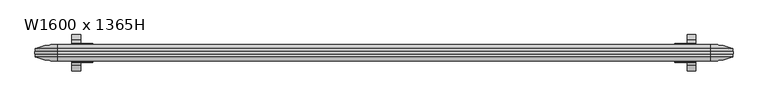
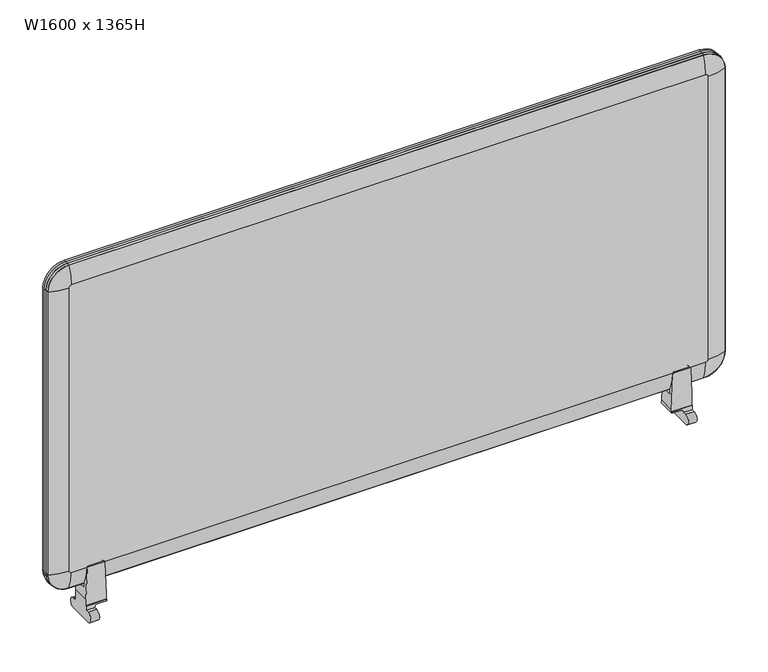
"""IFC4 building model written with IfcOpenShell, lengths in millimetres: furniture geometry, W1600 x 1365H."""

import ifcopenshell
import ifcopenshell.guid

model = None  # the IFC model being written
_history = None  # IfcOwnerHistory: only IFC2X3 demands one
_inside = {}  # id of a spatial element -> (the spatial element, [elements in it])
_under = {}  # id of a project, library or spatial element -> (it, [spatial elements below it])
_declared = {}  # id of a project -> (the project, [libraries it declares])
_typed = {}  # id of a type object -> (the type object, [elements of that type])
_made_of = {}  # id of a material, layer set ... -> (it, [elements and type objects made of it])


def new_model(schema):
    """Start an empty IFC model of exactly this schema.

    Asked for "IFC4X3", IfcOpenShell would pick the latest addendum, in which some entities
    have other attributes; the version numbers below select the first issue.
    IFC2X3 requires an IfcOwnerHistory on every rooted entity: one is made here for all.
    """
    global model, _history
    if schema == "IFC4X3":
        model = ifcopenshell.file(schema_version=(4, 3, 0, 0))
    else:
        model = ifcopenshell.file(schema=schema)
    _inside.clear()
    _under.clear()
    _declared.clear()
    _typed.clear()
    _made_of.clear()
    _history = None
    if model.schema == "IFC2X3":
        org = make("IfcOrganization", Name="unknown")
        user = make(
            "IfcPersonAndOrganization",
            ThePerson=make("IfcPerson", FamilyName="unknown"),
            TheOrganization=org,
        )
        app = make(
            "IfcApplication",
            ApplicationDeveloper=org,
            Version="unknown",
            ApplicationFullName="unknown",
            ApplicationIdentifier="unknown",
        )
        _history = make(
            "IfcOwnerHistory",
            OwningUser=user,
            OwningApplication=app,
            ChangeAction="ADDED",
            CreationDate=0,
        )
    return model


def make(cls, **values):
    """One entity of the class cls with the attributes given. An attribute that is None is left unset."""
    return model.create_entity(
        cls, **{name: value for name, value in values.items() if value is not None}
    )


def rooted(cls, **values):
    """An entity with a GlobalId (a new one), such as an element, a storey or a relation."""
    return make(cls, GlobalId=ifcopenshell.guid.new(), OwnerHistory=_history, **values)


def si_unit(unit_type, name, prefix=None):
    """IfcSIUnit, for example si_unit("LENGTHUNIT", "METRE", prefix="MILLI")."""
    return make("IfcSIUnit", UnitType=unit_type, Prefix=prefix, Name=name)


def assignment(units):
    """IfcUnitAssignment: the units of a project."""
    return None if units is None else make("IfcUnitAssignment", Units=units)


def point(xyz):
    """IfcCartesianPoint."""
    return None if xyz is None else make("IfcCartesianPoint", Coordinates=xyz)


def direction(xyz):
    """IfcDirection."""
    return None if xyz is None else make("IfcDirection", DirectionRatios=xyz)


def frame(location, z_axis=None, x_axis=None):
    """IfcAxis2Placement3D, a coordinate frame: its origin and axes. An axis left out is left unset."""
    return make(
        "IfcAxis2Placement3D",
        Location=point(location),
        Axis=direction(z_axis),
        RefDirection=direction(x_axis),
    )


def origin():
    """The frame at (0, 0, 0) with its axes left unset."""
    return frame((0.0, 0.0, 0.0))


def place(relative_to, where):
    """IfcLocalPlacement: puts the frame where relative to a parent placement (None: the world)."""
    return make(
        "IfcLocalPlacement", PlacementRelTo=relative_to, RelativePlacement=where
    )


def context(
    kind, dimensions, precision=None, world=None, true_north=None, identifier=None
):
    """IfcGeometricRepresentationContext, for example the 3D "Model" context."""
    return make(
        "IfcGeometricRepresentationContext",
        ContextIdentifier=identifier,
        ContextType=kind,
        CoordinateSpaceDimension=dimensions,
        Precision=precision,
        WorldCoordinateSystem=world,
        TrueNorth=true_north,
    )


def project(units=None, contexts=None):
    """IfcProject with its units and contexts."""
    return rooted(
        "IfcProject",
        Name="project",
        RepresentationContexts=contexts,
        UnitsInContext=assignment(units),
    )


def spatial(cls, under=None, at=None, **own):
    """A site, building, storey or space (cls), placed at a placement, below another one or the project."""
    s = rooted(cls, ObjectPlacement=at, **own)
    if under is not None:
        _under.setdefault(under.id(), (under, []))[1].append(s)
    return s


def polyline(points):
    """IfcPolyline through the points."""
    return make("IfcPolyline", Points=[point(p) for p in points])


def circle_curve(where, radius):
    """IfcCircle in the frame where."""
    return make("IfcCircle", Position=where, Radius=radius)


def ellipse_curve(where, semi_axis1, semi_axis2):
    """IfcEllipse in the frame where."""
    return make(
        "IfcEllipse", Position=where, SemiAxis1=semi_axis1, SemiAxis2=semi_axis2
    )


def trimmed(basis, trim1, trim2, sense, master):
    """IfcTrimmedCurve: the piece of a basis curve between two trims."""
    return make(
        "IfcTrimmedCurve",
        BasisCurve=basis,
        Trim1=trim1,
        Trim2=trim2,
        SenseAgreement=sense,
        MasterRepresentation=master,
    )


def shape(context_of_items, identifier, shape_type, items):
    """IfcShapeRepresentation: the items that make up one representation, for example the "Body"."""
    return make(
        "IfcShapeRepresentation",
        ContextOfItems=context_of_items,
        RepresentationIdentifier=identifier,
        RepresentationType=shape_type,
        Items=items,
    )


def source(mapping_origin, context_of_items, identifier, shape_type, items):
    """IfcRepresentationMap: a shape defined once, which mapped items show again and again."""
    return make(
        "IfcRepresentationMap",
        MappingOrigin=mapping_origin,
        MappedRepresentation=shape(context_of_items, identifier, shape_type, items),
    )


def transform(
    local_origin,
    x_axis=None,
    y_axis=None,
    z_axis=None,
    scale=None,
    scale2=None,
    scale3=None,
    uniform=True,
):
    """IfcCartesianTransformationOperator3D, or its non-uniform kind. x_axis, y_axis, z_axis: its Axis1, 2, 3."""
    if uniform:
        return make(
            "IfcCartesianTransformationOperator3D",
            Axis1=direction(x_axis),
            Axis2=direction(y_axis),
            LocalOrigin=point(local_origin),
            Scale=scale,
            Axis3=direction(z_axis),
        )
    return make(
        "IfcCartesianTransformationOperator3DnonUniform",
        Axis1=direction(x_axis),
        Axis2=direction(y_axis),
        LocalOrigin=point(local_origin),
        Scale=scale,
        Axis3=direction(z_axis),
        Scale2=scale2,
        Scale3=scale3,
    )


def mapped(mapping_source, mapping_target):
    """IfcMappedItem: shows the shape of a source again, moved by a transform."""
    return make(
        "IfcMappedItem", MappingSource=mapping_source, MappingTarget=mapping_target
    )


def made_of(thing, what):
    """Note that an element or type object is made of a material, layer set ...; save() writes the relation."""
    if what is not None:
        _made_of.setdefault(what.id(), (what, []))[1].append(thing)
    return thing


def element(
    cls,
    number,
    at=None,
    inside=None,
    cuts=None,
    type_object=None,
    material=None,
    context=None,
    identifier="Body",
    shape_type=None,
    held_by="IfcProductDefinitionShape",
    body=None,
    shapes=None,
    **own,
):
    """One element of the class cls, such as IfcWall. Its Tag is "e" and its number.

    at: its placement. inside: the storey or other place that contains it. cuts: it is an
    opening in that element (IfcRelVoidsElement). A single representation is given by context,
    identifier, shape_type and body (its items); several are given by shapes. held_by: the class
    of the entity that holds the representations. save() writes the other relations.
    """
    e = rooted(cls, Tag="e%d" % number, ObjectPlacement=at, **own)
    if body is not None:
        shapes = [shape(context, identifier, shape_type, body)]
    if shapes is not None:
        e.Representation = make(held_by, Representations=shapes)
    if inside is not None:
        _inside.setdefault(inside.id(), (inside, []))[1].append(e)
    if cuts is not None:
        rooted(
            "IfcRelVoidsElement", RelatingBuildingElement=cuts, RelatedOpeningElement=e
        )
    if type_object is not None:
        _typed.setdefault(type_object.id(), (type_object, []))[1].append(e)
    return made_of(e, material)


def aggregate(whole, parts):
    """IfcRelAggregates: a whole, such as a stair, and the parts it consists of."""
    return rooted("IfcRelAggregates", RelatingObject=whole, RelatedObjects=parts)


def save(model, path):
    """Write the relations noted so far, then the file.

    IfcRelAggregates (storeys below a building ...), IfcRelContainedInSpatialStructure (elements
    in a storey), IfcRelDefinesByType, IfcRelAssociatesMaterial and IfcRelDeclares: one each for
    every whole, place, type object, material and project.
    """
    for whole, parts in _under.values():
        aggregate(whole, parts)
    for where, things in _inside.values():
        rooted(
            "IfcRelContainedInSpatialStructure",
            RelatedElements=things,
            RelatingStructure=where,
        )
    for kind, things in _typed.values():
        rooted("IfcRelDefinesByType", RelatedObjects=things, RelatingType=kind)
    for what, things in _made_of.values():
        rooted("IfcRelAssociatesMaterial", RelatedObjects=things, RelatingMaterial=what)
    for by, libraries in _declared.values():
        rooted("IfcRelDeclares", RelatingContext=by, RelatedDefinitions=libraries)
    model.write(path)


def plane_surface(at):
    """IfcPlane: the flat surface through the origin of the frame at, square to its z axis."""
    return make("IfcPlane", Position=at)


def cylinder_surface(at, radius):
    """IfcCylindricalSurface: all points at the distance radius from the z axis of the frame at."""
    return make("IfcCylindricalSurface", Position=at, Radius=radius)


def revolved_surface(curve, axis_point, axis_direction):
    """IfcSurfaceOfRevolution: the curve turned about the line through axis_point along axis_direction."""
    return make(
        "IfcSurfaceOfRevolution",
        SweptCurve=make("IfcArbitraryOpenProfileDef", ProfileType="CURVE", Curve=curve),
        AxisPosition=make("IfcAxis1Placement", Location=point(axis_point), Axis=direction(axis_direction)),
    )


def advanced_brep(points, edges, surfaces, faces):
    """IfcAdvancedBrep: a solid bounded by faces that lie on surfaces and meet in shared edges.

    An edge is (start, end): straight between two places in points (the first is 0);
    or (start, end, curve); or (start, end, curve, False) where it runs against its curve.
    A face is (place in surfaces, loops), or (place, loops, False) where it looks against
    its surface's normal. A loop lists edges by number (the first is 1), with a minus sign
    where the edge is run from its end to its start. The first loop is the outer one.
    """
    corners = [point(p) for p in points]
    vertices = [make("IfcVertexPoint", VertexGeometry=c) for c in corners]
    made = []
    for start, end, *more in edges:
        made.append(
            make(
                "IfcEdgeCurve",
                EdgeStart=vertices[start],
                EdgeEnd=vertices[end],
                EdgeGeometry=more[0] if more else make("IfcPolyline", Points=[corners[start], corners[end]]),
                SameSense=more[1] if len(more) > 1 else True,
            )
        )
    hull = []
    for where, loops, *sense in faces:
        bounds = []
        for j, loop in enumerate(loops):
            ring = [make("IfcOrientedEdge", EdgeElement=made[abs(k) - 1], Orientation=k > 0) for k in loop]
            bounds.append(
                make(
                    "IfcFaceOuterBound" if j == 0 else "IfcFaceBound",
                    Bound=make("IfcEdgeLoop", EdgeList=ring),
                    Orientation=True,
                )
            )
        hull.append(make("IfcAdvancedFace", Bounds=bounds, FaceSurface=surfaces[where], SameSense=sense[0] if sense else True))
    return make("IfcAdvancedBrep", Outer=make("IfcClosedShell", CfsFaces=hull))


def w1600_x_1365h_b50736ef(model_context):
    return source(origin(), model_context, "Body", "AdvancedBrep", [
        advanced_brep(
        [(799.1999977, -10.0, 1315.0000005), (749.9999977, -10.0, 1364.2000005), (749.9999977, -18.5, 1320.8000005), (755.7999977, -18.5, 1315.0000005), (799.9999977, -2.9, 1315.0000005), (749.9999977, -2.9, 1365.0000005), (749.9999977, -10.0, 1365.0000005), (799.9999977, -10.0, 1315.0000005), (800.7999977, 2.9, 1315.0000005), (749.9999977, 2.9, 1365.8000005), (749.9999977, -2.9, 1365.8000005), (800.7999977, -2.9, 1315.0000005), (799.9999977, 10.0, 1315.0000005), (749.9999977, 10.0, 1365.0000005), (749.9999977, 2.9, 1365.0000005), (799.9999977, 2.9, 1315.0000005), (755.7999977, 18.5, 1315.0000005), (749.9999977, 18.5, 1320.8000005), (749.9999977, 10.0, 1364.2000005), (799.1999977, 10.0, 1315.0000005), (755.7999977, -18.5, 608.0000005), (799.1999977, -10.0, 608.0000005), (799.9999977, -10.0, 608.0000005), (799.9999977, -2.9, 608.0000005), (800.7999977, -2.9, 608.0000005), (800.7999977, 2.9, 608.0000005), (799.9999977, 2.9, 608.0000005), (799.9999977, 10.0, 608.0000005), (799.1999977, 10.0, 608.0000005), (755.7999977, 18.5, 608.0000005), (749.9999977, -18.5, 602.2000005), (749.9999977, -10.0, 558.8000005), (749.9999977, -10.0, 558.0000005), (749.9999977, -2.9, 558.0000005), (749.9999977, -2.9, 557.2000005), (749.9999977, 2.9, 557.2000005), (749.9999977, 2.9, 558.0000005), (749.9999977, 10.0, 558.0000005), (749.9999977, 10.0, 558.8000005), (749.9999977, 18.5, 602.2000005), (-750.0000023, -18.5, 602.2000005), (-750.0000023, -10.0, 558.8000005), (-750.0000023, -10.0, 558.0000005), (-750.0000023, -2.9, 558.0000005), (-750.0000023, -2.9, 557.2000005), (-750.0000023, 2.9, 557.2000005), (-750.0000023, 2.9, 558.0000005), (-750.0000023, 10.0, 558.0000005), (-750.0000023, 10.0, 558.8000005), (-750.0000023, 18.5, 602.2000005), (-755.8000023, -18.5, 608.0000005), (-799.2000023, -10.0, 608.0000005), (-800.0000023, -10.0, 608.0000005), (-800.0000023, -2.9, 608.0000005), (-800.8000023, -2.9, 608.0000005), (-800.8000023, 2.9, 608.0000005), (-800.0000023, 2.9, 608.0000005), (-800.0000023, 10.0, 608.0000005), (-799.2000023, 10.0, 608.0000005), (-755.8000023, 18.5, 608.0000005), (-755.8000023, -18.5, 1315.0000005), (-799.2000023, -10.0, 1315.0000005), (-800.0000023, -10.0, 1315.0000005), (-800.0000023, -2.9, 1315.0000005), (-800.8000023, -2.9, 1315.0000005), (-800.8000023, 2.9, 1315.0000005), (-800.0000023, 2.9, 1315.0000005), (-800.0000023, 10.0, 1315.0000005), (-799.2000023, 10.0, 1315.0000005), (-755.8000023, 18.5, 1315.0000005), (-750.0000023, -18.5, 1320.8000005), (-750.0000023, -10.0, 1364.2000005), (-750.0000023, -10.0, 1365.0000005), (-750.0000023, -2.9, 1365.0000005), (-750.0000023, -2.9, 1365.8000005), (-750.0000023, 2.9, 1365.8000005), (-750.0000023, 2.9, 1365.0000005), (-750.0000023, 10.0, 1365.0000005), (-750.0000023, 10.0, 1364.2000005), (-750.0000023, 18.5, 1320.8000005)],
        [
            (0, 1, circle_curve(frame((749.9999977, -10.0, 1315.0000005), z_axis=(0.0, -1.0, 0.0), x_axis=(0.0, 0.0, 1.0)), 49.2)),
            (1, 2, circle_curve(frame((749.9999977, 96.5476471, 1320.8000005), z_axis=(1.0, 0.0, 0.0), x_axis=(0.0, 0.0, 1.0)), 115.0476471)),
            (2, 3, circle_curve(frame((749.9999977, -18.5, 1315.0000005), z_axis=(0.0, 1.0, 0.0), x_axis=(0.0, 0.0, 1.0)), 5.8)),
            (3, 0, circle_curve(frame((755.7999977, 96.5476471, 1315.0000005), z_axis=(0.0, 0.0, 1.0), x_axis=(1.0, 0.0, 0.0)), 115.0476471)),
            (4, 5, circle_curve(frame((749.9999977, -2.9, 1315.0000005), z_axis=(0.0, -1.0, 0.0), x_axis=(0.0, 0.0, 1.0)), 50.0)),
            (5, 6),
            (6, 7, circle_curve(frame((749.9999977, -10.0, 1315.0000005), z_axis=(0.0, 1.0, 0.0), x_axis=(0.0, 0.0, 1.0)), 50.0)),
            (7, 4),
            (8, 9, circle_curve(frame((749.9999977, 2.9, 1315.0000005), z_axis=(0.0, -1.0, 0.0), x_axis=(0.0, 0.0, 1.0)), 50.8)),
            (9, 10),
            (10, 11, circle_curve(frame((749.9999977, -2.9, 1315.0000005), z_axis=(0.0, 1.0, 0.0), x_axis=(0.0, 0.0, 1.0)), 50.8)),
            (11, 8),
            (12, 13, circle_curve(frame((749.9999977, 10.0, 1315.0000005), z_axis=(0.0, -1.0, 0.0), x_axis=(0.0, 0.0, 1.0)), 50.0)),
            (13, 14),
            (14, 15, circle_curve(frame((749.9999977, 2.9, 1315.0000005), z_axis=(0.0, 1.0, 0.0), x_axis=(0.0, 0.0, 1.0)), 50.0)),
            (15, 12),
            (16, 17, circle_curve(frame((749.9999977, 18.5, 1315.0000005), z_axis=(0.0, -1.0, 0.0), x_axis=(0.0, 0.0, 1.0)), 5.8)),
            (17, 18, circle_curve(frame((749.9999977, -96.5476471, 1320.8000005), z_axis=(1.0, 0.0, 0.0), x_axis=(0.0, 0.0, 1.0)), 115.0476471)),
            (18, 19, circle_curve(frame((749.9999977, 10.0, 1315.0000005), z_axis=(0.0, 1.0, 0.0), x_axis=(0.0, 0.0, 1.0)), 49.2)),
            (19, 16, circle_curve(frame((755.7999977, -96.5476471, 1315.0000005), z_axis=(0.0, 0.0, 1.0), x_axis=(1.0, 0.0, 0.0)), 115.0476471)),
            (3, 20),
            (20, 21, circle_curve(frame((755.7999977, 96.5476471, 608.0000005), z_axis=(0.0, 0.0, 1.0), x_axis=(1.0, 0.0, 0.0)), 115.0476471)),
            (21, 0),
            (7, 22),
            (22, 23),
            (23, 4),
            (11, 24),
            (24, 25),
            (25, 8),
            (15, 26),
            (26, 27),
            (27, 12),
            (19, 28),
            (28, 29, circle_curve(frame((755.7999977, -96.5476471, 608.0000005), z_axis=(0.0, 0.0, 1.0), x_axis=(1.0, 0.0, 0.0)), 115.0476471)),
            (29, 16),
            (20, 30, circle_curve(frame((749.9999977, -18.5, 608.0000005), z_axis=(0.0, 1.0, 0.0), x_axis=(1.0, 0.0, 0.0)), 5.8)),
            (30, 31, circle_curve(frame((749.9999977, 96.5476471, 602.2000005), z_axis=(1.0, 0.0, 0.0), x_axis=(0.0, 0.0, -1.0)), 115.0476471)),
            (31, 21, circle_curve(frame((749.9999977, -10.0, 608.0000005), z_axis=(0.0, -1.0, 0.0), x_axis=(1.0, 0.0, 0.0)), 49.2)),
            (22, 32, circle_curve(frame((749.9999977, -10.0, 608.0000005), z_axis=(0.0, 1.0, 0.0), x_axis=(1.0, 0.0, 0.0)), 50.0)),
            (32, 33),
            (33, 23, circle_curve(frame((749.9999977, -2.9, 608.0000005), z_axis=(0.0, -1.0, 0.0), x_axis=(1.0, 0.0, 0.0)), 50.0)),
            (24, 34, circle_curve(frame((749.9999977, -2.9, 608.0000005), z_axis=(0.0, 1.0, 0.0), x_axis=(1.0, 0.0, 0.0)), 50.8)),
            (34, 35),
            (35, 25, circle_curve(frame((749.9999977, 2.9, 608.0000005), z_axis=(0.0, -1.0, 0.0), x_axis=(1.0, 0.0, 0.0)), 50.8)),
            (26, 36, circle_curve(frame((749.9999977, 2.9, 608.0000005), z_axis=(0.0, 1.0, 0.0), x_axis=(1.0, 0.0, 0.0)), 50.0)),
            (36, 37),
            (37, 27, circle_curve(frame((749.9999977, 10.0, 608.0000005), z_axis=(0.0, -1.0, 0.0), x_axis=(1.0, 0.0, 0.0)), 50.0)),
            (28, 38, circle_curve(frame((749.9999977, 10.0, 608.0000005), z_axis=(0.0, 1.0, 0.0), x_axis=(1.0, 0.0, 0.0)), 49.2)),
            (38, 39, circle_curve(frame((749.9999977, -96.5476471, 602.2000005), z_axis=(1.0, 0.0, 0.0), x_axis=(0.0, 0.0, -1.0)), 115.0476471)),
            (39, 29, circle_curve(frame((749.9999977, 18.5, 608.0000005), z_axis=(0.0, -1.0, 0.0), x_axis=(1.0, 0.0, 0.0)), 5.8)),
            (30, 40),
            (40, 41, circle_curve(frame((-750.0000023, 96.5476471, 602.2000005), z_axis=(1.0, 0.0, 0.0), x_axis=(0.0, 0.0, -1.0)), 115.0476471)),
            (41, 31),
            (32, 42),
            (42, 43),
            (43, 33),
            (34, 44),
            (44, 45),
            (45, 35),
            (36, 46),
            (46, 47),
            (47, 37),
            (38, 48),
            (48, 49, circle_curve(frame((-750.0000023, -96.5476471, 602.2000005), z_axis=(1.0, 0.0, 0.0), x_axis=(0.0, 0.0, -1.0)), 115.0476471)),
            (49, 39),
            (40, 50, circle_curve(frame((-750.0000023, -18.5, 608.0000005), z_axis=(0.0, 1.0, 0.0), x_axis=(0.0, 0.0, -1.0)), 5.8)),
            (50, 51, circle_curve(frame((-755.8000023, 96.5476471, 608.0000005), z_axis=(0.0, 0.0, -1.0), x_axis=(-1.0, 0.0, 0.0)), 115.0476471)),
            (51, 41, circle_curve(frame((-750.0000023, -10.0, 608.0000005), z_axis=(0.0, -1.0, 0.0), x_axis=(0.0, 0.0, -1.0)), 49.2)),
            (42, 52, circle_curve(frame((-750.0000023, -10.0, 608.0000005), z_axis=(0.0, 1.0, 0.0), x_axis=(0.0, 0.0, -1.0)), 50.0)),
            (52, 53),
            (53, 43, circle_curve(frame((-750.0000023, -2.9, 608.0000005), z_axis=(0.0, -1.0, 0.0), x_axis=(0.0, 0.0, -1.0)), 50.0)),
            (44, 54, circle_curve(frame((-750.0000023, -2.9, 608.0000005), z_axis=(0.0, 1.0, 0.0), x_axis=(0.0, 0.0, -1.0)), 50.8)),
            (54, 55),
            (55, 45, circle_curve(frame((-750.0000023, 2.9, 608.0000005), z_axis=(0.0, -1.0, 0.0), x_axis=(0.0, 0.0, -1.0)), 50.8)),
            (46, 56, circle_curve(frame((-750.0000023, 2.9, 608.0000005), z_axis=(0.0, 1.0, 0.0), x_axis=(0.0, 0.0, -1.0)), 50.0)),
            (56, 57),
            (57, 47, circle_curve(frame((-750.0000023, 10.0, 608.0000005), z_axis=(0.0, -1.0, 0.0), x_axis=(0.0, 0.0, -1.0)), 50.0)),
            (48, 58, circle_curve(frame((-750.0000023, 10.0, 608.0000005), z_axis=(0.0, 1.0, 0.0), x_axis=(0.0, 0.0, -1.0)), 49.2)),
            (58, 59, circle_curve(frame((-755.8000023, -96.5476471, 608.0000005), z_axis=(0.0, 0.0, -1.0), x_axis=(-1.0, 0.0, 0.0)), 115.0476471)),
            (59, 49, circle_curve(frame((-750.0000023, 18.5, 608.0000005), z_axis=(0.0, -1.0, 0.0), x_axis=(0.0, 0.0, -1.0)), 5.8)),
            (50, 60),
            (60, 61, circle_curve(frame((-755.8000023, 96.5476471, 1315.0000005), z_axis=(0.0, 0.0, -1.0), x_axis=(-1.0, 0.0, 0.0)), 115.0476471)),
            (61, 51),
            (52, 62),
            (62, 63),
            (63, 53),
            (54, 64),
            (64, 65),
            (65, 55),
            (56, 66),
            (66, 67),
            (67, 57),
            (58, 68),
            (68, 69, circle_curve(frame((-755.8000023, -96.5476471, 1315.0000005), z_axis=(0.0, 0.0, -1.0), x_axis=(-1.0, 0.0, 0.0)), 115.0476471)),
            (69, 59),
            (60, 70, circle_curve(frame((-750.0000023, -18.5, 1315.0000005), z_axis=(0.0, 1.0, 0.0), x_axis=(-1.0, 0.0, 0.0)), 5.8)),
            (70, 71, circle_curve(frame((-750.0000023, 96.5476471, 1320.8000005), z_axis=(-1.0, 0.0, 0.0), x_axis=(0.0, 0.0, 1.0)), 115.0476471)),
            (71, 61, circle_curve(frame((-750.0000023, -10.0, 1315.0000005), z_axis=(0.0, -1.0, 0.0), x_axis=(-1.0, 0.0, 0.0)), 49.2)),
            (62, 72, circle_curve(frame((-750.0000023, -10.0, 1315.0000005), z_axis=(0.0, 1.0, 0.0), x_axis=(-1.0, 0.0, 0.0)), 50.0)),
            (72, 73),
            (73, 63, circle_curve(frame((-750.0000023, -2.9, 1315.0000005), z_axis=(0.0, -1.0, 0.0), x_axis=(-1.0, 0.0, 0.0)), 50.0)),
            (64, 74, circle_curve(frame((-750.0000023, -2.9, 1315.0000005), z_axis=(0.0, 1.0, 0.0), x_axis=(-1.0, 0.0, 0.0)), 50.8)),
            (74, 75),
            (75, 65, circle_curve(frame((-750.0000023, 2.9, 1315.0000005), z_axis=(0.0, -1.0, 0.0), x_axis=(-1.0, 0.0, 0.0)), 50.8)),
            (66, 76, circle_curve(frame((-750.0000023, 2.9, 1315.0000005), z_axis=(0.0, 1.0, 0.0), x_axis=(-1.0, 0.0, 0.0)), 50.0)),
            (76, 77),
            (77, 67, circle_curve(frame((-750.0000023, 10.0, 1315.0000005), z_axis=(0.0, -1.0, 0.0), x_axis=(-1.0, 0.0, 0.0)), 50.0)),
            (68, 78, circle_curve(frame((-750.0000023, 10.0, 1315.0000005), z_axis=(0.0, 1.0, 0.0), x_axis=(-1.0, 0.0, 0.0)), 49.2)),
            (78, 79, circle_curve(frame((-750.0000023, -96.5476471, 1320.8000005), z_axis=(-1.0, 0.0, 0.0), x_axis=(0.0, 0.0, 1.0)), 115.0476471)),
            (79, 69, circle_curve(frame((-750.0000023, 18.5, 1315.0000005), z_axis=(0.0, -1.0, 0.0), x_axis=(-1.0, 0.0, 0.0)), 5.8)),
            (2, 70),
            (1, 71),
            (6, 72),
            (5, 73),
            (10, 74),
            (9, 75),
            (14, 76),
            (13, 77),
            (18, 78),
            (17, 79),
        ],
        [
            revolved_surface(trimmed(ellipse_curve(frame((749.9999977, 96.5476471, 1320.8000005), z_axis=(-1.0, 0.0, 0.0), x_axis=(0.0, 0.0, 1.0)), 115.0476471, 115.0476471), [point((749.9999977, -18.5, 1320.8000005))], [point((749.9999977, -10.0, 1364.2000005))], True, "CARTESIAN"), (749.9999977, 0.0, 1315.0000005), (0.0, 1.0, 0.0)),
            cylinder_surface(frame((749.9999977, 0.0, 1315.0000005), z_axis=(0.0, 1.0, 0.0), x_axis=(0.0, 0.0, 1.0)), 50.0),
            cylinder_surface(frame((749.9999977, 0.0, 1315.0000005), z_axis=(0.0, 1.0, 0.0), x_axis=(0.0, 0.0, 1.0)), 50.8),
            revolved_surface(trimmed(ellipse_curve(frame((749.9999977, -96.5476471, 1320.8000005), z_axis=(-1.0, 0.0, 0.0), x_axis=(0.0, 0.0, 1.0)), 115.0476471, 115.0476471), [point((749.9999977, 10.0, 1364.2000005))], [point((749.9999977, 18.5, 1320.8000005))], True, "CARTESIAN"), (749.9999977, 0.0, 1315.0000005), (0.0, 1.0, 0.0)),
            cylinder_surface(frame((755.7999977, 96.5476471, 1315.0000005), z_axis=(0.0, 0.0, 1.0), x_axis=(1.0, 0.0, 0.0)), 115.0476471),
            plane_surface(frame((799.9999977, -10.0, 1315.0000005), z_axis=(1.0, 0.0, 0.0), x_axis=(0.0, 0.0, -1.0))),
            plane_surface(frame((800.7999977, -2.9, 1315.0000005), z_axis=(1.0, 0.0, 0.0), x_axis=(0.0, 0.0, -1.0))),
            plane_surface(frame((799.9999977, 2.9, 1315.0000005), z_axis=(1.0, 0.0, 0.0), x_axis=(0.0, 0.0, -1.0))),
            cylinder_surface(frame((755.7999977, -96.5476471, 1315.0000005), z_axis=(0.0, 0.0, 1.0), x_axis=(1.0, 0.0, 0.0)), 115.0476471),
            revolved_surface(trimmed(ellipse_curve(frame((755.7999977, 96.5476471, 608.0000005), z_axis=(0.0, 0.0, 1.0), x_axis=(1.0, 0.0, 0.0)), 115.0476471, 115.0476471), [point((755.7999977, -18.5, 608.0000005))], [point((799.1999977, -10.0, 608.0000005))], True, "CARTESIAN"), (749.9999977, 0.0, 608.0000005), (0.0, 1.0, 0.0)),
            cylinder_surface(frame((749.9999977, 0.0, 608.0000005), z_axis=(0.0, 1.0, 0.0), x_axis=(1.0, 0.0, 0.0)), 50.0),
            cylinder_surface(frame((749.9999977, 0.0, 608.0000005), z_axis=(0.0, 1.0, 0.0), x_axis=(1.0, 0.0, 0.0)), 50.8),
            revolved_surface(trimmed(ellipse_curve(frame((755.7999977, -96.5476471, 608.0000005), z_axis=(0.0, 0.0, 1.0), x_axis=(1.0, 0.0, 0.0)), 115.0476471, 115.0476471), [point((799.1999977, 10.0, 608.0000005))], [point((755.7999977, 18.5, 608.0000005))], True, "CARTESIAN"), (749.9999977, 0.0, 608.0000005), (0.0, 1.0, 0.0)),
            cylinder_surface(frame((749.9999977, 96.5476471, 602.2000005), z_axis=(1.0, 0.0, 0.0), x_axis=(0.0, 0.0, -1.0)), 115.0476471),
            plane_surface(frame((749.9999977, -10.0, 558.0000005), z_axis=(0.0, 0.0, -1.0), x_axis=(-1.0, 0.0, 0.0))),
            plane_surface(frame((749.9999977, -2.9, 557.2000005), z_axis=(0.0, 0.0, -1.0), x_axis=(-1.0, 0.0, 0.0))),
            plane_surface(frame((749.9999977, 2.9, 558.0000005), z_axis=(0.0, 0.0, -1.0), x_axis=(-1.0, 0.0, 0.0))),
            cylinder_surface(frame((749.9999977, -96.5476471, 602.2000005), z_axis=(1.0, 0.0, 0.0), x_axis=(0.0, 0.0, -1.0)), 115.0476471),
            revolved_surface(trimmed(ellipse_curve(frame((-750.0000023, 96.5476471, 602.2000005), z_axis=(1.0, 0.0, 0.0), x_axis=(0.0, 0.0, -1.0)), 115.0476471, 115.0476471), [point((-750.0000023, -18.5, 602.2000005))], [point((-750.0000023, -10.0, 558.8000005))], True, "CARTESIAN"), (-750.0000023, 0.0, 608.0000005), (0.0, 1.0, 0.0)),
            cylinder_surface(frame((-750.0000023, 0.0, 608.0000005), z_axis=(0.0, 1.0, 0.0), x_axis=(0.0, 0.0, -1.0)), 50.0),
            cylinder_surface(frame((-750.0000023, 0.0, 608.0000005), z_axis=(0.0, 1.0, 0.0), x_axis=(0.0, 0.0, -1.0)), 50.8),
            revolved_surface(trimmed(ellipse_curve(frame((-750.0000023, -96.5476471, 602.2000005), z_axis=(1.0, 0.0, 0.0), x_axis=(0.0, 0.0, -1.0)), 115.0476471, 115.0476471), [point((-750.0000023, 10.0, 558.8000005))], [point((-750.0000023, 18.5, 602.2000005))], True, "CARTESIAN"), (-750.0000023, 0.0, 608.0000005), (0.0, 1.0, 0.0)),
            cylinder_surface(frame((-755.8000023, 96.5476471, 608.0000005), z_axis=(0.0, 0.0, -1.0), x_axis=(-1.0, 0.0, 0.0)), 115.0476471),
            plane_surface(frame((-800.0000023, -10.0, 608.0000005), z_axis=(-1.0, 0.0, 0.0), x_axis=(0.0, 0.0, 1.0))),
            plane_surface(frame((-800.8000023, -2.9, 608.0000005), z_axis=(-1.0, 0.0, 0.0), x_axis=(0.0, 0.0, 1.0))),
            plane_surface(frame((-800.0000023, 2.9, 608.0000005), z_axis=(-1.0, 0.0, 0.0), x_axis=(0.0, 0.0, 1.0))),
            cylinder_surface(frame((-755.8000023, -96.5476471, 608.0000005), z_axis=(0.0, 0.0, -1.0), x_axis=(-1.0, 0.0, 0.0)), 115.0476471),
            revolved_surface(trimmed(ellipse_curve(frame((-755.8000023, 96.5476471, 1315.0000005), z_axis=(0.0, 0.0, -1.0), x_axis=(-1.0, 0.0, 0.0)), 115.0476471, 115.0476471), [point((-755.8000023, -18.5, 1315.0000005))], [point((-799.2000023, -10.0, 1315.0000005))], True, "CARTESIAN"), (-750.0000023, 0.0, 1315.0000005), (0.0, 1.0, 0.0)),
            cylinder_surface(frame((-750.0000023, 0.0, 1315.0000005), z_axis=(0.0, 1.0, 0.0), x_axis=(-1.0, 0.0, 0.0)), 50.0),
            cylinder_surface(frame((-750.0000023, 0.0, 1315.0000005), z_axis=(0.0, 1.0, 0.0), x_axis=(-1.0, 0.0, 0.0)), 50.8),
            revolved_surface(trimmed(ellipse_curve(frame((-755.8000023, -96.5476471, 1315.0000005), z_axis=(0.0, 0.0, -1.0), x_axis=(-1.0, 0.0, 0.0)), 115.0476471, 115.0476471), [point((-799.2000023, 10.0, 1315.0000005))], [point((-755.8000023, 18.5, 1315.0000005))], True, "CARTESIAN"), (-750.0000023, 0.0, 1315.0000005), (0.0, 1.0, 0.0)),
            plane_surface(frame((-750.0000023, -18.5, 1320.0000005), z_axis=(0.0, -1.0, 0.0), x_axis=(1.0, 0.0, 0.0))),
            cylinder_surface(frame((-750.0000023, 96.5476471, 1320.8000005), z_axis=(-1.0, 0.0, 0.0), x_axis=(0.0, 0.0, 1.0)), 115.0476471),
            plane_surface(frame((-750.0000023, -10.0, 1364.2000005), z_axis=(0.0, -1.0, 0.0), x_axis=(1.0, 0.0, 0.0))),
            plane_surface(frame((-750.0000023, -10.0, 1365.0000005), z_axis=(0.0, 0.0, 1.0), x_axis=(1.0, 0.0, 0.0))),
            plane_surface(frame((-750.0000023, -2.9, 1365.0000005), z_axis=(0.0, -1.0, 0.0), x_axis=(1.0, 0.0, 0.0))),
            plane_surface(frame((-750.0000023, -2.9, 1365.8000005), z_axis=(0.0, 0.0, 1.0), x_axis=(1.0, 0.0, 0.0))),
            plane_surface(frame((-750.0000023, 2.9, 1365.8000005), z_axis=(0.0, 1.0, 0.0), x_axis=(1.0, 0.0, 0.0))),
            plane_surface(frame((-750.0000023, 2.9, 1365.0000005), z_axis=(0.0, 0.0, 1.0), x_axis=(1.0, 0.0, 0.0))),
            plane_surface(frame((-750.0000023, 10.0, 1365.0000005), z_axis=(0.0, 1.0, 0.0), x_axis=(1.0, 0.0, 0.0))),
            cylinder_surface(frame((-750.0000023, -96.5476471, 1320.8000005), z_axis=(-1.0, 0.0, 0.0), x_axis=(0.0, 0.0, 1.0)), 115.0476471),
            plane_surface(frame((-750.0000023, 18.5, 1320.8000005), z_axis=(0.0, 1.0, 0.0), x_axis=(1.0, 0.0, 0.0))),
        ],
        [
            (0, [[1, 2, 3, 4]]),
            (1, [[5, 6, 7, 8]]),
            (2, [[9, 10, 11, 12]]),
            (1, [[13, 14, 15, 16]]),
            (3, [[17, 18, 19, 20]]),
            (4, [[-4, 21, 22, 23]]),
            (5, [[-8, 24, 25, 26]]),
            (6, [[-12, 27, 28, 29]]),
            (7, [[-16, 30, 31, 32]]),
            (8, [[-20, 33, 34, 35]]),
            (9, [[-22, 36, 37, 38]]),
            (10, [[-25, 39, 40, 41]]),
            (11, [[-28, 42, 43, 44]]),
            (10, [[-31, 45, 46, 47]]),
            (12, [[-34, 48, 49, 50]]),
            (13, [[-37, 51, 52, 53]]),
            (14, [[-40, 54, 55, 56]]),
            (15, [[-43, 57, 58, 59]]),
            (16, [[-46, 60, 61, 62]]),
            (17, [[-49, 63, 64, 65]]),
            (18, [[-52, 66, 67, 68]]),
            (19, [[-55, 69, 70, 71]]),
            (20, [[-58, 72, 73, 74]]),
            (19, [[-61, 75, 76, 77]]),
            (21, [[-64, 78, 79, 80]]),
            (22, [[-67, 81, 82, 83]]),
            (23, [[-70, 84, 85, 86]]),
            (24, [[-73, 87, 88, 89]]),
            (25, [[-76, 90, 91, 92]]),
            (26, [[-79, 93, 94, 95]]),
            (27, [[-82, 96, 97, 98]]),
            (28, [[-85, 99, 100, 101]]),
            (29, [[-88, 102, 103, 104]]),
            (28, [[-91, 105, 106, 107]]),
            (30, [[-94, 108, 109, 110]]),
            (31, [[-3, 111, -96, -81, -66, -51, -36, -21]]),
            (32, [[-2, 112, -97, -111]]),
            (33, [[-7, 113, -99, -84, -69, -54, -39, -24], [-1, -23, -38, -53, -68, -83, -98, -112]]),
            (34, [[-6, 114, -100, -113]]),
            (35, [[-11, 115, -102, -87, -72, -57, -42, -27], [-5, -26, -41, -56, -71, -86, -101, -114]]),
            (36, [[-10, 116, -103, -115]]),
            (37, [[-9, -29, -44, -59, -74, -89, -104, -116], [-15, 117, -105, -90, -75, -60, -45, -30]]),
            (38, [[-14, 118, -106, -117]]),
            (39, [[-13, -32, -47, -62, -77, -92, -107, -118], [-19, 119, -108, -93, -78, -63, -48, -33]]),
            (40, [[-18, 120, -109, -119]]),
            (41, [[-17, -35, -50, -65, -80, -95, -110, -120]]),
        ],
    ),
        advanced_brep(
        [(667.3062923, 20.12722, 508.6034914), (667.3062923, 21.734059, 508.6034914), (667.3062923, 21.734059, 505.317569), (667.3062923, -21.734059, 505.317569), (667.3062923, -21.734059, 508.6034914), (667.3062923, -20.12722, 508.6034914), (667.3062923, -20.12722, 513.0283084), (667.3062923, 20.12722, 513.0283084), (715.6062923, -20.12722, 508.6034914), (715.6062923, -21.734059, 508.6034914), (715.6062923, -21.734059, 497.7771987), (715.6062923, -29.3283848, 497.7771987), (715.6062923, -29.3283848, 473.429), (715.6062923, 29.3283848, 473.429), (715.6062923, 29.3283848, 497.7771987), (715.6062923, 21.734059, 497.7771987), (715.6062923, 21.734059, 508.6034914), (715.6062923, 20.12722, 508.6034914), (715.6062923, 20.12722, 537.7072826), (715.6062923, -20.12722, 537.7072826), (675.7948185, 17.493294, 607.4860165), (708.0534919, 17.493294, 607.4860165), (712.3907552, 20.12722, 602.923923), (671.4549117, 20.12722, 602.923923), (670.9814467, 20.12722, 600.5424845), (712.8620616, 20.12722, 600.5607025), (695.9000284, 21.734059, 497.7771987), (695.9000284, 21.734059, 499.2756665), (689.9626674, 21.734059, 505.317569), (695.9000284, 29.3283848, 497.7771987), (695.9000284, 29.3283848, 473.429), (695.9000284, -29.3283848, 473.429), (695.9000284, -29.3283848, 497.7771987), (695.9000284, -21.734059, 497.7771987), (689.9626674, -21.734059, 505.317569), (695.9000284, -21.734059, 499.2756665), (712.8620616, -20.12722, 600.5607025), (712.3907552, -20.12722, 602.923923), (671.4549117, -20.12722, 602.923923), (670.9814467, -20.12722, 600.5424845), (708.0534919, -17.493294, 607.4860165), (675.7948185, -17.493294, 607.4860165), (708.0534919, -11.6621458, 607.4860165), (675.7948185, -11.6621458, 607.4860165), (712.8620616, -11.6621458, 600.5607025), (715.1793449, -11.6621458, 547.4860165), (668.7533424, -11.6621458, 547.4860165), (670.9814467, -11.6621458, 600.5424845), (715.1793449, 11.6621458, 547.4860165), (668.7533424, 11.6621458, 547.4860165), (712.8620616, 11.6621458, 600.5607025), (708.0534919, 11.6621458, 607.4860165), (675.7948185, 11.6621458, 607.4860165), (670.9814467, 11.6621458, 600.5424845)],
        [
            (0, 1),
            (1, 2),
            (2, 3),
            (3, 4),
            (4, 5),
            (5, 6),
            (6, 7),
            (7, 0),
            (8, 9),
            (9, 10),
            (10, 11),
            (11, 12, circle_curve(frame((715.6062923, -29.3283848, 485.6030993), z_axis=(1.0, 0.0, 0.0), x_axis=(0.0, -1.0, 0.0)), 12.1740993)),
            (12, 13),
            (13, 14, circle_curve(frame((715.6062923, 29.3283848, 485.6030993), z_axis=(1.0, 0.0, 0.0), x_axis=(0.0, -1.0, 0.0)), 12.1740993)),
            (14, 15),
            (15, 16),
            (16, 17),
            (17, 18),
            (18, 19),
            (19, 8),
            (20, 21),
            (21, 22, ellipse_curve(frame((704.9749018, 21.6904421, 600.2163428), z_axis=(0.0, 0.8660254037844375, 0.500000000000002), x_axis=(0.0, -0.500000000000002, 0.8660254037844375)), 9.115984, 7.8946737)),
            (22, 23),
            (23, 20, ellipse_curve(frame((678.8744898, 21.6935173, 600.2110165), z_axis=(0.0, 0.8660254037844375, 0.500000000000002), x_axis=(0.0, -0.500000000000002, 0.8660254037844375)), 9.1221343, 7.9)),
            (17, 0),
            (7, 24),
            (24, 23, circle_curve(frame((678.8744898, 20.12722, 600.2110165), z_axis=(0.0, 1.0, 0.0), x_axis=(1.0, 0.0, 0.0)), 7.9)),
            (22, 25, circle_curve(frame((704.9749018, 20.12722, 600.2163428), z_axis=(0.0, 1.0, 0.0), x_axis=(1.0, 0.0, 0.0)), 7.8946737)),
            (25, 18),
            (16, 1),
            (15, 26),
            (26, 27),
            (27, 28, circle_curve(frame((689.8572056, 21.734059, 499.2756665), z_axis=(0.0, -1.0, 0.0), x_axis=(1.0, 0.0, 0.0)), 6.0428228)),
            (28, 2),
            (14, 29),
            (29, 26),
            (13, 30),
            (30, 29, circle_curve(frame((695.9000284, 29.3283848, 485.6030993), z_axis=(1.0, 0.0, 0.0), x_axis=(0.0, -1.0, 0.0)), 12.1740993)),
            (12, 31),
            (31, 30),
            (11, 32),
            (32, 31, circle_curve(frame((695.9000284, -29.3283848, 485.6030993), z_axis=(1.0, 0.0, 0.0), x_axis=(0.0, -1.0, 0.0)), 12.1740993)),
            (10, 33),
            (33, 32),
            (9, 4),
            (3, 34),
            (34, 35, circle_curve(frame((689.8572056, -21.734059, 499.2756665), z_axis=(0.0, 1.0, 0.0), x_axis=(1.0, 0.0, 0.0)), 6.0428228)),
            (35, 33),
            (8, 5),
            (19, 36),
            (36, 37, circle_curve(frame((704.9749018, -20.12722, 600.2163428), z_axis=(0.0, -1.0, 0.0), x_axis=(1.0, 0.0, 0.0)), 7.8946737)),
            (37, 38),
            (38, 39, circle_curve(frame((678.8744898, -20.12722, 600.2110165), z_axis=(0.0, -1.0, 0.0), x_axis=(1.0, 0.0, 0.0)), 7.9)),
            (39, 6),
            (37, 40, ellipse_curve(frame((704.9749018, -21.6904421, 600.2163428), z_axis=(0.0, -0.8660254037844385, 0.5000000000000006), x_axis=(0.0, -0.5000000000000001, -0.8660254037844385)), 9.115984, 7.8946737)),
            (40, 41),
            (41, 38, ellipse_curve(frame((678.8744898, -21.6935173, 600.2110165), z_axis=(0.0, -0.8660254037844385, 0.5000000000000006), x_axis=(0.0, -0.5000000000000001, -0.8660254037844385)), 9.1221343, 7.9)),
            (40, 42),
            (42, 43),
            (43, 41),
            (42, 44, circle_curve(frame((704.9749018, -11.6621458, 600.2163428), z_axis=(0.0, 1.0, 0.0), x_axis=(1.0, 0.0, 0.0)), 7.8946737)),
            (44, 45),
            (45, 46),
            (46, 47),
            (47, 43, circle_curve(frame((678.8744898, -11.6621458, 600.2110165), z_axis=(0.0, 1.0, 0.0), x_axis=(1.0, 0.0, 0.0)), 7.9)),
            (45, 48),
            (48, 49),
            (49, 46),
            (48, 50),
            (50, 51, circle_curve(frame((704.9749018, 11.6621458, 600.2163428), z_axis=(0.0, -1.0, 0.0), x_axis=(1.0, 0.0, 0.0)), 7.8946737)),
            (51, 52),
            (52, 53, circle_curve(frame((678.8744898, 11.6621458, 600.2110165), z_axis=(0.0, -1.0, 0.0), x_axis=(1.0, 0.0, 0.0)), 7.9)),
            (53, 49),
            (20, 52),
            (51, 21),
            (34, 28),
            (27, 35),
            (39, 47),
            (53, 24),
            (36, 44),
            (50, 25),
        ],
        [
            plane_surface(frame((667.3062923, 17.493294, 607.4860165), z_axis=(-1.0, 0.0, 0.0), x_axis=(0.0, 0.500000000000002, -0.8660254037844375))),
            plane_surface(frame((715.6062923, 17.493294, 607.4860165), z_axis=(1.0, 0.0, 0.0), x_axis=(0.0, -0.500000000000002, 0.8660254037844375))),
            plane_surface(frame((667.3062923, 17.493294, 607.4860165), z_axis=(0.0, 0.8660254037844375, 0.500000000000002), x_axis=(1.0, 0.0, 0.0))),
            plane_surface(frame((667.3062923, 20.12722, 602.923923), z_axis=(0.0, 1.0, 0.0), x_axis=(1.0, 0.0, 0.0))),
            plane_surface(frame((667.3062923, 20.12722, 508.6034914), z_axis=(0.0, 0.0, 1.0), x_axis=(1.0, 0.0, 0.0))),
            plane_surface(frame((667.3062923, 21.734059, 508.6034914), z_axis=(0.0, 1.0, 0.0), x_axis=(1.0, 0.0, 0.0))),
            plane_surface(frame((667.3062923, 21.734059, 497.7771987), z_axis=(0.0, 0.0, 1.0), x_axis=(1.0, 0.0, 0.0))),
            cylinder_surface(frame((715.6062923, 29.3283848, 485.6030993), z_axis=(-1.0, 0.0, 0.0), x_axis=(0.0, -1.0, 0.0)), 12.1740993),
            plane_surface(frame((667.3062923, 29.3283848, 473.429), z_axis=(0.0, 0.0, -1.0), x_axis=(1.0, 0.0, 0.0))),
            cylinder_surface(frame((715.6062923, -29.3283848, 485.6030993), z_axis=(-1.0, 0.0, 0.0), x_axis=(0.0, -1.0, 0.0)), 12.1740993),
            plane_surface(frame((667.3062923, -29.3283848, 497.7771987), z_axis=(0.0, 0.0, 1.0), x_axis=(1.0, 0.0, 0.0))),
            plane_surface(frame((667.3062923, -21.734059, 497.7771987), z_axis=(0.0, -1.0, 0.0), x_axis=(1.0, 0.0, 0.0))),
            plane_surface(frame((667.3062923, -21.734059, 508.6034914), z_axis=(0.0, 0.0, 1.0), x_axis=(1.0, 0.0, 0.0))),
            plane_surface(frame((667.3062923, -20.12722, 508.6034914), z_axis=(0.0, -1.0, 0.0), x_axis=(1.0, 0.0, 0.0))),
            plane_surface(frame((667.3062923, -20.12722, 602.923923), z_axis=(0.0, -0.8660254037844385, 0.5000000000000006), x_axis=(1.0, 0.0, 0.0))),
            plane_surface(frame((667.3062923, -17.493294, 607.4860165), z_axis=(0.0, 0.0, 1.0), x_axis=(1.0, 0.0, 0.0))),
            plane_surface(frame((667.3062923, -11.6621458, 607.4860165), z_axis=(0.0, 1.0, 0.0), x_axis=(1.0, 0.0, 0.0))),
            plane_surface(frame((667.3062923, -11.6621458, 547.4860165), z_axis=(0.0, 0.0, 1.0), x_axis=(1.0, 0.0, 0.0))),
            plane_surface(frame((667.3062923, 11.6621458, 547.4860165), z_axis=(0.0, -1.0, 0.0), x_axis=(1.0, 0.0, 0.0))),
            plane_surface(frame((667.3062923, 11.6621458, 607.4860165), z_axis=(0.0, 0.0, 1.0), x_axis=(1.0, 0.0, 0.0))),
            revolved_surface(polyline([(695.9000284, 21.734058999999988, 499.2756665), (695.9000284, -21.734059000000002, 499.2756665)]), (689.8572056, -113.2680769, 499.2756665), (0.0, 1.0, 0.0)),
            plane_surface(frame((666.9824801, 250.0, 505.317569), z_axis=(0.0, 0.0, -1.0), x_axis=(0.0, -1.0, 0.0))),
            plane_surface(frame((670.9814467, 250.0, 600.5424845), z_axis=(-0.9991193762450611, 0.0, 0.0419579791181641), x_axis=(0.0, -1.0, 0.0))),
            cylinder_surface(frame((678.8744898, -113.2680769, 600.2110165), z_axis=(0.0, -1.0, 0.0), x_axis=(1.0, 0.0, 0.0)), 7.9),
            cylinder_surface(frame((704.9749018, -113.2680769, 600.2163428), z_axis=(0.0, -1.0, 0.0), x_axis=(1.0, 0.0, 0.0)), 7.8946737),
            plane_surface(frame((718.5147114, 250.0, 471.0933202), z_axis=(0.9990482276909862, 0.0, 0.043619247443065556), x_axis=(0.0, -1.0, 0.0))),
            plane_surface(frame((695.9000284, 250.0, 499.2756665), z_axis=(-1.0, 0.0, 0.0), x_axis=(0.0, -1.0, 0.0))),
        ],
        [
            (0, [[1, 2, 3, 4, 5, 6, 7, 8]]),
            (1, [[9, 10, 11, 12, 13, 14, 15, 16, 17, 18, 19, 20]]),
            (2, [[21, 22, 23, 24]]),
            (3, [[25, -8, 26, 27, -23, 28, 29, -18]]),
            (4, [[-1, -25, -17, 30]]),
            (5, [[-16, 31, 32, 33, 34, -2, -30]]),
            (6, [[-15, 35, 36, -31]]),
            (7, [[-14, 37, 38, -35]]),
            (8, [[-13, 39, 40, -37]]),
            (9, [[-12, 41, 42, -39]]),
            (10, [[-11, 43, 44, -41]]),
            (11, [[-10, 45, -4, 46, 47, 48, -43]]),
            (12, [[-5, -45, -9, 49]]),
            (13, [[-49, -20, 50, 51, 52, 53, 54, -6]]),
            (14, [[-52, 55, 56, 57]]),
            (15, [[-56, 58, 59, 60]]),
            (16, [[-59, 61, 62, 63, 64, 65]]),
            (17, [[-63, 66, 67, 68]]),
            (18, [[-67, 69, 70, 71, 72, 73]]),
            (19, [[-21, 74, -71, 75]]),
            (20, [[76, -33, 77, -47]]),
            (21, [[-76, -46, -3, -34]]),
            (22, [[78, -64, -68, -73, 79, -26, -7, -54]]),
            (23, [[-78, -53, -57, -60, -65]]),
            (23, [[-79, -72, -74, -24, -27]]),
            (24, [[80, -61, -58, -55, -51]]),
            (24, [[81, -28, -22, -75, -70]]),
            (25, [[-80, -50, -19, -29, -81, -69, -66, -62]]),
            (26, [[-77, -32, -36, -38, -40, -42, -44, -48]]),
        ],
    ),
        advanced_brep(
        [(-716.2164625, 20.12722, 508.6034914), (-716.2164625, 21.734059, 508.6034914), (-716.2164625, 21.734059, 497.7771987), (-716.2164625, 29.3283848, 497.7771987), (-716.2164625, 29.3283848, 473.429), (-716.2164625, -29.3283848, 473.429), (-716.2164625, -29.3283848, 497.7771987), (-716.2164625, -21.734059, 497.7771987), (-716.2164625, -21.734059, 508.6034914), (-716.2164625, -20.12722, 508.6034914), (-716.2164625, -20.12722, 523.7321492), (-716.2164625, 20.12722, 523.7321492), (-667.6238597, -20.12722, 508.6034914), (-667.6238597, -21.734059, 508.6034914), (-667.6238597, -21.734059, 505.317569), (-667.6238597, 21.734059, 505.317569), (-667.6238597, 21.734059, 508.6034914), (-667.6238597, 20.12722, 508.6034914), (-667.6238597, 20.12722, 520.5902324), (-667.6238597, -20.12722, 520.5902324), (-708.0534965, 17.493294, 607.4860165), (-675.7948232, 17.493294, 607.4860165), (-671.4549164, 20.12722, 602.923923), (-712.3907599, 20.12722, 602.923923), (-712.8620662, 20.12722, 600.5607025), (-670.9814514, 20.12722, 600.5424845), (-689.9626721, 21.734059, 505.317569), (-695.9000331, 21.734059, 499.2756665), (-695.9000331, 21.734059, 497.7771987), (-695.9000331, 29.3283848, 497.7771987), (-695.9000331, 29.3283848, 473.429), (-695.9000331, -29.3283848, 473.429), (-695.9000331, -29.3283848, 497.7771987), (-695.9000331, -21.734059, 497.7771987), (-695.9000331, -21.734059, 499.2756665), (-689.9626721, -21.734059, 505.317569), (-670.9814514, -20.12722, 600.5424845), (-671.4549164, -20.12722, 602.923923), (-712.3907599, -20.12722, 602.923923), (-712.8620662, -20.12722, 600.5607025), (-675.7948232, -17.493294, 607.4860165), (-708.0534965, -17.493294, 607.4860165), (-675.7948232, -11.6621458, 607.4860165), (-708.0534965, -11.6621458, 607.4860165), (-670.9814514, -11.6621458, 600.5424845), (-668.7533471, -11.6621458, 547.4860165), (-715.1793496, -11.6621458, 547.4860165), (-712.8620662, -11.6621458, 600.5607025), (-668.7533471, 11.6621458, 547.4860165), (-715.1793496, 11.6621458, 547.4860165), (-670.9814514, 11.6621458, 600.5424845), (-675.7948232, 11.6621458, 607.4860165), (-708.0534965, 11.6621458, 607.4860165), (-712.8620662, 11.6621458, 600.5607025)],
        [
            (0, 1),
            (1, 2),
            (2, 3),
            (3, 4, circle_curve(frame((-716.2164625, 29.3283848, 485.6030993), z_axis=(-1.0, 0.0, 0.0), x_axis=(0.0, -1.0, 0.0)), 12.1740993)),
            (4, 5),
            (5, 6, circle_curve(frame((-716.2164625, -29.3283848, 485.6030993), z_axis=(-1.0, 0.0, 0.0), x_axis=(0.0, -1.0, 0.0)), 12.1740993)),
            (6, 7),
            (7, 8),
            (8, 9),
            (9, 10),
            (10, 11),
            (11, 0),
            (12, 13),
            (13, 14),
            (14, 15),
            (15, 16),
            (16, 17),
            (17, 18),
            (18, 19),
            (19, 12),
            (20, 21),
            (21, 22, ellipse_curve(frame((-678.8744945, 21.6935173, 600.2110165), z_axis=(0.0, 0.8660254037844368, 0.5000000000000033), x_axis=(0.0, -0.500000000000003, 0.866025403784437)), 9.1221343, 7.9)),
            (22, 23),
            (23, 20, ellipse_curve(frame((-704.9749064, 21.6904421, 600.2163428), z_axis=(0.0, 0.8660254037844368, 0.5000000000000033), x_axis=(0.0, -0.500000000000003, 0.866025403784437)), 9.115984, 7.8946737)),
            (17, 0),
            (11, 24),
            (24, 23, circle_curve(frame((-704.9749064, 20.12722, 600.2163428), z_axis=(0.0, 1.0, 0.0), x_axis=(-1.0, 0.0, 0.0)), 7.8946737)),
            (22, 25, circle_curve(frame((-678.8744945, 20.12722, 600.2110165), z_axis=(0.0, 1.0, 0.0), x_axis=(-1.0, 0.0, 0.0)), 7.9)),
            (25, 18),
            (16, 1),
            (15, 26),
            (26, 27, circle_curve(frame((-689.8572103, 21.734059, 499.2756665), z_axis=(0.0, -1.0, 0.0), x_axis=(-1.0, 0.0, 0.0)), 6.0428228)),
            (27, 28),
            (28, 2),
            (28, 29),
            (29, 3),
            (29, 30, circle_curve(frame((-695.9000331, 29.3283848, 485.6030993), z_axis=(-1.0, 0.0, 0.0), x_axis=(0.0, -1.0, 0.0)), 12.1740993)),
            (30, 4),
            (30, 31),
            (31, 5),
            (31, 32, circle_curve(frame((-695.9000331, -29.3283848, 485.6030993), z_axis=(-1.0, 0.0, 0.0), x_axis=(0.0, -1.0, 0.0)), 12.1740993)),
            (32, 6),
            (32, 33),
            (33, 7),
            (33, 34),
            (34, 35, circle_curve(frame((-689.8572103, -21.734059, 499.2756665), z_axis=(0.0, 1.0, 0.0), x_axis=(-1.0, 0.0, 0.0)), 6.0428228)),
            (35, 14),
            (13, 8),
            (12, 9),
            (19, 36),
            (36, 37, circle_curve(frame((-678.8744945, -20.12722, 600.2110165), z_axis=(0.0, -1.0, 0.0), x_axis=(-1.0, 0.0, 0.0)), 7.9)),
            (37, 38),
            (38, 39, circle_curve(frame((-704.9749064, -20.12722, 600.2163428), z_axis=(0.0, -1.0, 0.0), x_axis=(-1.0, 0.0, 0.0)), 7.8946737)),
            (39, 10),
            (37, 40, ellipse_curve(frame((-678.8744945, -21.6935173, 600.2110165), z_axis=(0.0, -0.8660254037844385, 0.5000000000000006), x_axis=(0.0, -0.5000000000000001, -0.8660254037844385)), 9.1221343, 7.9)),
            (40, 41),
            (41, 38, ellipse_curve(frame((-704.9749064, -21.6904421, 600.2163428), z_axis=(0.0, -0.8660254037844385, 0.5000000000000006), x_axis=(0.0, -0.5000000000000001, -0.8660254037844385)), 9.115984, 7.8946737)),
            (40, 42),
            (42, 43),
            (43, 41),
            (42, 44, circle_curve(frame((-678.8744945, -11.6621458, 600.2110165), z_axis=(0.0, 1.0, 0.0), x_axis=(-1.0, 0.0, 0.0)), 7.9)),
            (44, 45),
            (45, 46),
            (46, 47),
            (47, 43, circle_curve(frame((-704.9749064, -11.6621458, 600.2163428), z_axis=(0.0, 1.0, 0.0), x_axis=(-1.0, 0.0, 0.0)), 7.8946737)),
            (45, 48),
            (48, 49),
            (49, 46),
            (48, 50),
            (50, 51, circle_curve(frame((-678.8744945, 11.6621458, 600.2110165), z_axis=(0.0, -1.0, 0.0), x_axis=(-1.0, 0.0, 0.0)), 7.9)),
            (51, 52),
            (52, 53, circle_curve(frame((-704.9749064, 11.6621458, 600.2163428), z_axis=(0.0, -1.0, 0.0), x_axis=(-1.0, 0.0, 0.0)), 7.8946737)),
            (53, 49),
            (20, 52),
            (51, 21),
            (34, 27),
            (26, 35),
            (44, 36),
            (25, 50),
            (47, 39),
            (24, 53),
        ],
        [
            plane_surface(frame((-716.2164625, 17.493294, 607.4860165), z_axis=(-1.0000000000000002, 0.0, 0.0), x_axis=(0.0, 0.5000000000000033, -0.8660254037844368))),
            plane_surface(frame((-667.6238597, 17.493294, 607.4860165), z_axis=(1.0000000000000002, 0.0, 0.0), x_axis=(0.0, -0.5000000000000033, 0.8660254037844368))),
            plane_surface(frame((-716.2164625, 17.493294, 607.4860165), z_axis=(0.0, 0.8660254037844368, 0.5000000000000033), x_axis=(1.0, 0.0, 0.0))),
            plane_surface(frame((-716.2164625, 20.12722, 602.923923), z_axis=(0.0, 1.0, 0.0), x_axis=(1.0, 0.0, 0.0))),
            plane_surface(frame((-716.2164625, 20.12722, 508.6034914), z_axis=(0.0, 0.0, 1.0), x_axis=(1.0, 0.0, 0.0))),
            plane_surface(frame((-716.2164625, 21.734059, 508.6034914), z_axis=(0.0, 1.0, 0.0), x_axis=(1.0, 0.0, 0.0))),
            plane_surface(frame((-716.2164625, 21.734059, 497.7771987), z_axis=(0.0, 0.0, 1.0), x_axis=(1.0, 0.0, 0.0))),
            cylinder_surface(frame((-667.6238597, 29.3283848, 485.6030993), z_axis=(-1.0, 0.0, 0.0), x_axis=(0.0, -1.0, 0.0)), 12.1740993),
            plane_surface(frame((-716.2164625, 29.3283848, 473.429), z_axis=(0.0, 0.0, -1.0), x_axis=(1.0, 0.0, 0.0))),
            cylinder_surface(frame((-667.6238597, -29.3283848, 485.6030993), z_axis=(-1.0, 0.0, 0.0), x_axis=(0.0, -1.0, 0.0)), 12.1740993),
            plane_surface(frame((-716.2164625, -29.3283848, 497.7771987), z_axis=(0.0, 0.0, 1.0), x_axis=(1.0, 0.0, 0.0))),
            plane_surface(frame((-716.2164625, -21.734059, 497.7771987), z_axis=(0.0, -1.0, 0.0), x_axis=(1.0, 0.0, 0.0))),
            plane_surface(frame((-716.2164625, -21.734059, 508.6034914), z_axis=(0.0, 0.0, 1.0), x_axis=(1.0, 0.0, 0.0))),
            plane_surface(frame((-716.2164625, -20.12722, 508.6034914), z_axis=(0.0, -1.0, 0.0), x_axis=(1.0, 0.0, 0.0))),
            plane_surface(frame((-716.2164625, -20.12722, 602.923923), z_axis=(0.0, -0.8660254037844385, 0.5000000000000006), x_axis=(1.0, 0.0, 0.0))),
            plane_surface(frame((-716.2164625, -17.493294, 607.4860165), z_axis=(0.0, 0.0, 1.0), x_axis=(1.0, 0.0, 0.0))),
            plane_surface(frame((-716.2164625, -11.6621458, 607.4860165), z_axis=(0.0, 1.0, 0.0), x_axis=(1.0, 0.0, 0.0))),
            plane_surface(frame((-716.2164625, -11.6621458, 547.4860165), z_axis=(0.0, 0.0, 1.0), x_axis=(1.0, 0.0, 0.0))),
            plane_surface(frame((-716.2164625, 11.6621458, 547.4860165), z_axis=(0.0, -1.0, 0.0), x_axis=(1.0, 0.0, 0.0))),
            plane_surface(frame((-716.2164625, 11.6621458, 607.4860165), z_axis=(0.0, 0.0, 1.0), x_axis=(1.0, 0.0, 0.0))),
            revolved_surface(polyline([(-695.9000331, 21.734058999999988, 499.2756665), (-695.9000331, -21.734059000000002, 499.2756665)]), (-689.8572103, -113.2680769, 499.2756665), (0.0, 1.0, 0.0)),
            plane_surface(frame((-689.9626721, 250.0, 505.317569), z_axis=(0.0, 0.0, -1.0), x_axis=(0.0, -1.0, 0.0))),
            plane_surface(frame((-666.9824848, 250.0, 505.317569), z_axis=(0.9991193762450588, 0.0, 0.04195797911821947), x_axis=(0.0, -1.0, 0.0))),
            cylinder_surface(frame((-678.8744945, -113.2680769, 600.2110165), z_axis=(0.0, -1.0, 0.0), x_axis=(-1.0, 0.0, 0.0)), 7.9),
            cylinder_surface(frame((-704.9749064, -113.2680769, 600.2163428), z_axis=(0.0, -1.0, 0.0), x_axis=(-1.0, 0.0, 0.0)), 7.8946737),
            plane_surface(frame((-712.8620662, 250.0, 600.5607025), z_axis=(-0.9990482276909887, 0.0, 0.04361924744301037), x_axis=(0.0, -1.0, 0.0))),
            plane_surface(frame((-695.9000331, 250.0, 471.0933202), z_axis=(1.0, 0.0, 0.0), x_axis=(0.0, -1.0, 0.0))),
        ],
        [
            (0, [[1, 2, 3, 4, 5, 6, 7, 8, 9, 10, 11, 12]]),
            (1, [[13, 14, 15, 16, 17, 18, 19, 20]]),
            (2, [[21, 22, 23, 24]]),
            (3, [[25, -12, 26, 27, -23, 28, 29, -18]]),
            (4, [[-1, -25, -17, 30]]),
            (5, [[-2, -30, -16, 31, 32, 33, 34]]),
            (6, [[-3, -34, 35, 36]]),
            (7, [[-4, -36, 37, 38]]),
            (8, [[-5, -38, 39, 40]]),
            (9, [[-6, -40, 41, 42]]),
            (10, [[-7, -42, 43, 44]]),
            (11, [[-8, -44, 45, 46, 47, -14, 48]]),
            (12, [[-9, -48, -13, 49]]),
            (13, [[-49, -20, 50, 51, 52, 53, 54, -10]]),
            (14, [[-52, 55, 56, 57]]),
            (15, [[-56, 58, 59, 60]]),
            (16, [[-59, 61, 62, 63, 64, 65]]),
            (17, [[-63, 66, 67, 68]]),
            (18, [[-67, 69, 70, 71, 72, 73]]),
            (19, [[-21, 74, -71, 75]]),
            (20, [[76, -32, 77, -46]]),
            (21, [[-77, -31, -15, -47]]),
            (22, [[78, -50, -19, -29, 79, -69, -66, -62]]),
            (23, [[-78, -61, -58, -55, -51]]),
            (23, [[-79, -28, -22, -75, -70]]),
            (24, [[80, -53, -57, -60, -65]]),
            (24, [[81, -72, -74, -24, -27]]),
            (25, [[-80, -64, -68, -73, -81, -26, -11, -54]]),
            (26, [[-76, -45, -43, -41, -39, -37, -35, -33]]),
        ],
    ),
    ])


if __name__ == "__main__":
    model = new_model("IFC4")
    model_context = context("Model", 3, world=origin())
    ifc_project = project(units=[si_unit("LENGTHUNIT", "METRE", prefix="MILLI")], contexts=[model_context])
    site = spatial("IfcSite", under=ifc_project)
    building = spatial("IfcBuilding", under=site)
    placement = place(None, origin())
    w1600_x_1365h_shape = w1600_x_1365h_b50736ef(model_context)
    element("IfcFurniture", 1, ObjectType="W1600 x 1365H", at=placement, inside=building, context=model_context, shape_type="MappedRepresentation", body=[
        mapped(w1600_x_1365h_shape, transform((0.0, 0.0, 0.0), x_axis=(1.0, 0.0, 0.0), y_axis=(0.0, 1.0, 0.0), z_axis=(0.0, 0.0, 1.0))),
    ])
    save(model, "model.ifc")
